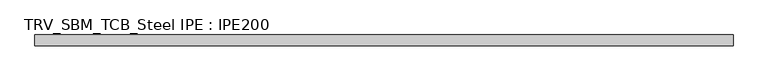
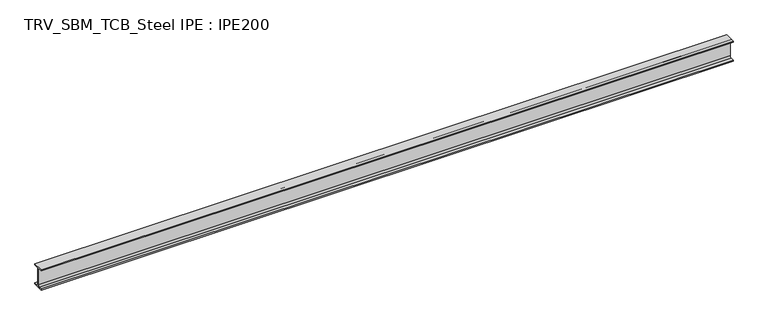
"""IFC4 building model written with IfcOpenShell, lengths in millimetres: beam geometry, TRV_SBM_TCB_Steel IPE : IPE200."""

from ifc_helpers import new_model, si_unit, point, frame, frame_2d, origin, place, context, project, spatial, polyline, circle_curve, trimmed, segment, composite_curve, outline, extrude, source, transform, mapped, element, save


def trv_sbm_tcb_steel_ipe_ipe200_72058e4a(model_context):
    return source(origin(), model_context, "Body", "SweptSolid", [
        extrude(outline(composite_curve([segment(polyline([(-50.0, -89.3), (-18.55, -89.3)]), True, "CONTINUOUS"), segment(trimmed(circle_curve(frame_2d((-18.55, -74.3)), 15.0), [point((-18.55, -89.3))], [point((-3.55, -74.3))], True, "CARTESIAN"), True, "CONTINUOUS"), segment(polyline([(-3.55, -74.3), (-3.55, 74.3)]), True, "CONTINUOUS"), segment(trimmed(circle_curve(frame_2d((-18.55, 74.3)), 15.0), [point((-3.55, 74.3))], [point((-18.55, 89.3))], True, "CARTESIAN"), True, "CONTINUOUS"), segment(polyline([(-18.55, 89.3), (-50.0, 89.3), (-50.0, 100.0), (50.0, 100.0), (50.0, 89.3), (18.55, 89.3)]), True, "CONTINUOUS"), segment(trimmed(circle_curve(frame_2d((18.55, 74.3)), 15.0), [point((18.55, 89.3))], [point((3.55, 74.3))], True, "CARTESIAN"), True, "CONTINUOUS"), segment(polyline([(3.55, 74.3), (3.55, -74.3)]), True, "CONTINUOUS"), segment(trimmed(circle_curve(frame_2d((18.55, -74.3)), 15.0), [point((3.55, -74.3))], [point((18.55, -89.3))], True, "CARTESIAN"), True, "CONTINUOUS"), segment(polyline([(18.55, -89.3), (50.0, -89.3), (50.0, -100.0), (-50.0, -100.0), (-50.0, -89.3)]), True, "CONTINUOUS")], self_intersect=False)), frame((-3193.0, 0.0, 0.0), z_axis=(1.0, 0.0, 0.0), x_axis=(0.0, 1.0, 0.0)), (0.0, 0.0, 1.0), 6446.0),
    ])


if __name__ == "__main__":
    model = new_model("IFC4")
    model_context = context("Model", 3, world=origin())
    ifc_project = project(units=[si_unit("LENGTHUNIT", "METRE", prefix="MILLI")], contexts=[model_context])
    site = spatial("IfcSite", under=ifc_project)
    building = spatial("IfcBuilding", under=site)
    placement = place(None, origin())
    trv_sbm_tcb_steel_ipe_ipe200_shape = trv_sbm_tcb_steel_ipe_ipe200_72058e4a(model_context)
    element("IfcBeam", 1, ObjectType="TRV_SBM_TCB_Steel IPE : IPE200", at=placement, inside=building, context=model_context, shape_type="MappedRepresentation", body=[
        mapped(trv_sbm_tcb_steel_ipe_ipe200_shape, transform((0.0, 0.0, 0.0), x_axis=(1.0, 0.0, 0.0), y_axis=(0.0, 1.0, 0.0), z_axis=(0.0, 0.0, 1.0))),
    ])
    save(model, "model.ifc")
